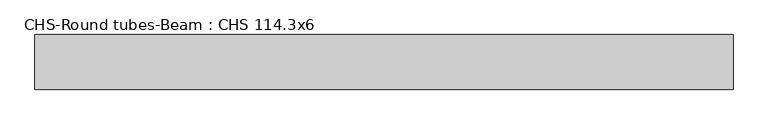
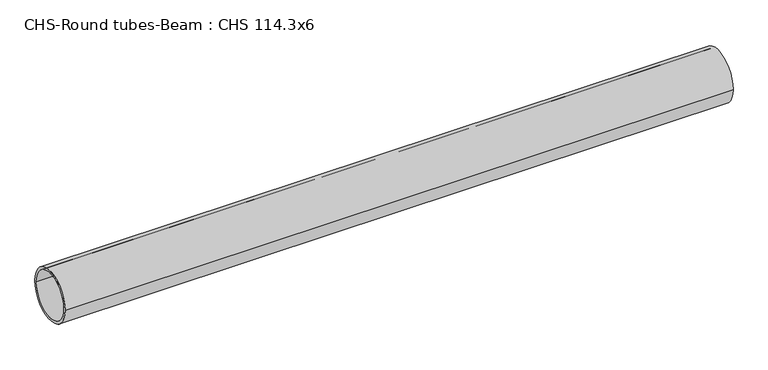
"""IFC4 building model written with IfcOpenShell, lengths in millimetres: beam geometry, CHS-Round tubes-Beam : CHS 114.3x6."""

from ifc_helpers import new_model, si_unit, point, frame, origin, origin_2d, place, context, project, spatial, circle_curve, trimmed, segment, composite_curve, outline, extrude, source, transform, mapped, element, save


def chs_round_tubes_beam_chs_114_3x6_88278257(model_context):
    return source(origin(), model_context, "Body", "SweptSolid", [
        extrude(outline(composite_curve([segment(trimmed(circle_curve(origin_2d(), 57.15), [point((57.15, 0.0))], [point((-57.15, 0.0))], False, "CARTESIAN"), True, "CONTINUOUS"), segment(trimmed(circle_curve(origin_2d(), 57.15), [point((-57.15, 0.0))], [point((57.15, 0.0))], False, "CARTESIAN"), True, "CONTINUOUS")], self_intersect=False), holes=[composite_curve([segment(trimmed(circle_curve(origin_2d(), 51.15), [point((51.15, 0.0))], [point((-51.15, 0.0))], True, "CARTESIAN"), True, "CONTINUOUS"), segment(trimmed(circle_curve(origin_2d(), 51.15), [point((-51.15, 0.0))], [point((51.15, 0.0))], True, "CARTESIAN"), True, "CONTINUOUS")], self_intersect=False)]), frame((-750.5759423, 0.0, 0.0), z_axis=(1.0, 0.0, 0.0), x_axis=(0.0, 1.0, 0.0)), (0.0, 0.0, 1.0), 1461.4846756),
    ])


if __name__ == "__main__":
    model = new_model("IFC4")
    model_context = context("Model", 3, world=origin())
    ifc_project = project(units=[si_unit("LENGTHUNIT", "METRE", prefix="MILLI")], contexts=[model_context])
    site = spatial("IfcSite", under=ifc_project)
    building = spatial("IfcBuilding", under=site)
    placement = place(None, origin())
    chs_round_tubes_beam_chs_114_3x6_shape = chs_round_tubes_beam_chs_114_3x6_88278257(model_context)
    element("IfcBeam", 1, ObjectType="CHS-Round tubes-Beam : CHS 114.3x6", at=placement, inside=building, context=model_context, shape_type="MappedRepresentation", body=[
        mapped(chs_round_tubes_beam_chs_114_3x6_shape, transform((0.0, 0.0, 0.0), x_axis=(1.0, 0.0, 0.0), y_axis=(0.0, 1.0, 0.0), z_axis=(0.0, 0.0, 1.0))),
    ])
    save(model, "model.ifc")
